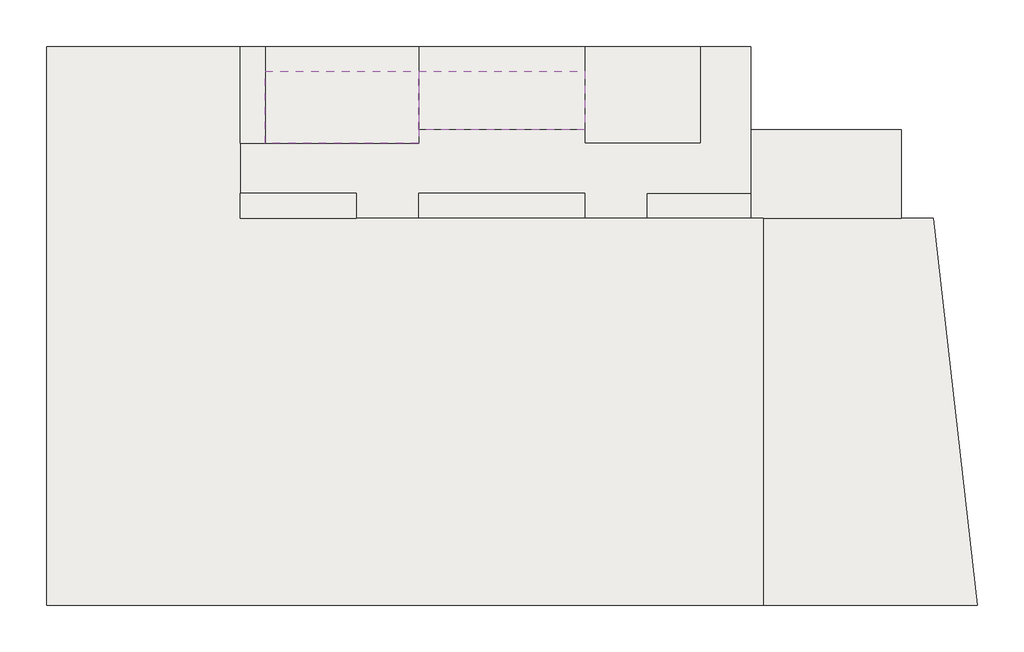
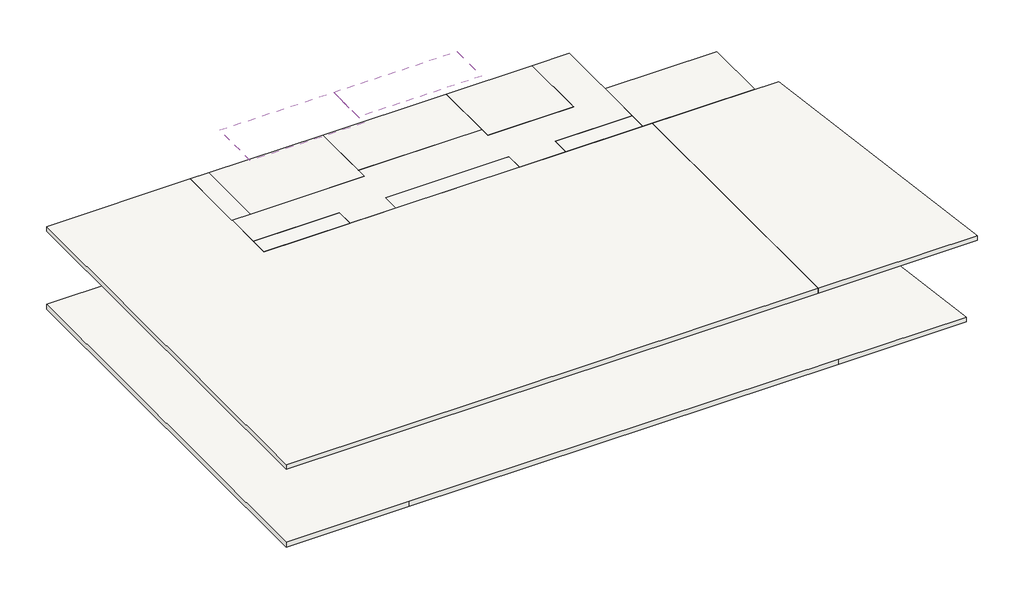
# One storey: 14 roofs.
"""IFC4 building model written with IfcOpenShell, lengths in millimetres."""

from ifc_helpers import new_model, si_unit, frame, origin, place, context, project, spatial, polyline, outline, extrude, element, save

model = new_model("IFC4")

# Units and contexts
model_context = context("Model", 3, world=origin())
ifc_project = project(units=[si_unit("LENGTHUNIT", "METRE", prefix="MILLI")], contexts=[model_context])

# Site, building, storey
site = spatial("IfcSite", under=ifc_project)
building = spatial("IfcBuilding", under=site)
storey = spatial("IfcBuildingStorey", under=building, Elevation=33200.0)

# Roofs
placement = place(None, origin())
element("IfcRoof", 1, ObjectType="250", at=placement, inside=storey, context=model_context, shape_type="SweptSolid", body=[
    extrude(outline(polyline([(-28845.9784025, 16649.6868987), (-21845.9784025, 16649.6868987), (-21845.9784025, 10449.6868987), (-2945.9784025, 10449.6868987), (-2945.9784025, -3550.3131013), (-28845.9784025, -3550.3131013), (-28845.9784025, 16649.6868987)])), frame((0.0, 0.0, 32350.0), z_axis=(0.0, 0.0, 1.0), x_axis=(1.0, 0.0, 0.0)), (0.0, 0.0, 1.0), 250.0),
])
element("IfcRoof", 2, ObjectType="250", at=placement, inside=storey, context=model_context, shape_type="SweptSolid", body=[
    extrude(outline(polyline([(-21845.9784025, 10449.6868987), (-21845.9784025, 11349.6868987), (-17645.9784025, 11349.6868987), (-17645.9784025, 10449.6868987), (-21845.9784025, 10449.6868987)])), frame((0.0, 0.0, 32350.0), z_axis=(0.0, 0.0, 1.0), x_axis=(1.0, 0.0, 0.0)), (0.0, 0.0, 1.0), 250.0),
])
element("IfcRoof", 3, ObjectType="250", at=placement, inside=storey, context=model_context, shape_type="SweptSolid", body=[
    extrude(outline(polyline([(-21845.9784025, 13149.6868987), (-15395.9784025, 13149.6868987), (-15395.9784025, 13649.6868987), (-9395.9784025, 13649.6868987), (-9395.9784025, 13149.6868987), (-5195.9784025, 13149.6868987), (-5195.9784025, 16649.6868987), (-3395.9784025, 16649.6868987), (-3395.9784025, 11349.6868987), (-7145.9784025, 11349.6868987), (-7145.9784025, 10449.6868987), (-9395.9784025, 10449.6868987), (-9395.9784025, 11349.6868987), (-15395.9784025, 11349.6868987), (-15395.9784025, 10449.6868987), (-17645.9784025, 10449.6868987), (-17645.9784025, 11349.6868987), (-21845.9784025, 11349.6868987), (-21845.9784025, 13149.6868987)])), frame((0.0, 0.0, 32350.0), z_axis=(0.0, 0.0, 1.0), x_axis=(1.0, 0.0, 0.0)), (0.0, 0.0, 1.0), 250.0),
])
element("IfcRoof", 4, ObjectType="250", at=placement, inside=storey, context=model_context, shape_type="SweptSolid", body=[
    extrude(outline(polyline([(-15395.9784025, 10449.6868987), (-15395.9784025, 11349.6868987), (-9395.9784025, 11349.6868987), (-9395.9784025, 10449.6868987), (-15395.9784025, 10449.6868987)])), frame((0.0, 0.0, 32350.0), z_axis=(0.0, 0.0, 1.0), x_axis=(1.0, 0.0, 0.0)), (0.0, 0.0, 1.0), 250.0),
])
element("IfcRoof", 5, ObjectType="250", at=placement, inside=storey, context=model_context, shape_type="SweptSolid", body=[
    extrude(outline(polyline([(-7145.9784025, 10449.6868987), (-7145.9784025, 11349.6868987), (-3395.9784025, 11349.6868987), (-3395.9784025, 10449.6868987), (-7145.9784025, 10449.6868987)])), frame((0.0, 0.0, 32350.0), z_axis=(0.0, 0.0, 1.0), x_axis=(1.0, 0.0, 0.0)), (0.0, 0.0, 1.0), 250.0),
])
element("IfcRoof", 6, ObjectType="250", at=placement, inside=storey, context=model_context, shape_type="SweptSolid", body=[
    extrude(outline(polyline([(-9395.9784025, 13149.6868987), (-9395.9784025, 16649.6868987), (-5195.9784025, 16649.6868987), (-5195.9784025, 13149.6868987), (-9395.9784025, 13149.6868987)])), frame((0.0, 0.0, 32350.0), z_axis=(0.0, 0.0, 1.0), x_axis=(1.0, 0.0, 0.0)), (0.0, 0.0, 1.0), 250.0),
])
element("IfcRoof", 7, ObjectType="250", at=placement, inside=storey, context=model_context, shape_type="SweptSolid", body=[
    extrude(outline(polyline([(-3395.9784025, 10449.6868987), (-3395.9784025, 13649.6868987), (2054.0215975, 13649.6868987), (2054.0215975, 10449.6868987), (-3395.9784025, 10449.6868987)])), frame((0.0, 0.0, 32350.0), z_axis=(0.0, 0.0, 1.0), x_axis=(1.0, 0.0, 0.0)), (0.0, 0.0, 1.0), 250.0),
])
element("IfcRoof", 8, ObjectType="250", at=placement, inside=storey, context=model_context, shape_type="SweptSolid", body=[
    extrude(outline(polyline([(-15395.9784025, 13649.6868987), (-15395.9784025, 15749.6868987), (-9395.9784025, 15749.6868987), (-9395.9784025, 13649.6868987), (-15395.9784025, 13649.6868987)])), frame((0.0, 0.0, 35350.0), z_axis=(0.0, 0.0, 1.0), x_axis=(1.0, 0.0, 0.0)), (0.0, 0.0, 1.0), 250.0),
])
element("IfcRoof", 9, ObjectType="250", at=placement, inside=storey, context=model_context, shape_type="SweptSolid", body=[
    extrude(outline(polyline([(-20945.9784025, 13149.6868987), (-20945.9784025, 15749.6868987), (-15395.9784025, 15749.6868987), (-15395.9784025, 13149.6868987), (-20945.9784025, 13149.6868987)])), frame((0.0, 0.0, 35350.0), z_axis=(0.0, 0.0, 1.0), x_axis=(1.0, 0.0, 0.0)), (0.0, 0.0, 1.0), 250.0),
])
element("IfcRoof", 10, ObjectType="250", at=placement, inside=storey, context=model_context, shape_type="SweptSolid", body=[
    extrude(outline(polyline([(-21845.9784025, 13149.6868987), (-21845.9784025, 16649.6868987), (-20945.9784025, 16649.6868987), (-20945.9784025, 13149.6868987), (-21845.9784025, 13149.6868987)])), frame((0.0, 0.0, 32350.0), z_axis=(0.0, 0.0, 1.0), x_axis=(1.0, 0.0, 0.0)), (0.0, 0.0, 1.0), 250.0),
])
element("IfcRoof", 11, ObjectType="250", at=placement, inside=storey, context=model_context, shape_type="SweptSolid", body=[
    extrude(outline(polyline([(-15395.9784025, 13649.6868987), (-15395.9784025, 16649.6868987), (-9395.9784025, 16649.6868987), (-9395.9784025, 13649.6868987), (-15395.9784025, 13649.6868987)])), frame((0.0, 0.0, 32350.0), z_axis=(0.0, 0.0, 1.0), x_axis=(1.0, 0.0, 0.0)), (0.0, 0.0, 1.0), 250.0),
])
element("IfcRoof", 12, ObjectType="250", at=placement, inside=storey, context=model_context, shape_type="SweptSolid", body=[
    extrude(outline(polyline([(-20945.9784025, 13149.6868987), (-20945.9784025, 16649.6868987), (-15395.9784025, 16649.6868987), (-15395.9784025, 13149.6868987), (-20945.9784025, 13149.6868987)])), frame((0.0, 0.0, 32350.0), z_axis=(0.0, 0.0, 1.0), x_axis=(1.0, 0.0, 0.0)), (0.0, 0.0, 1.0), 250.0),
])
element("IfcRoof", 13, ObjectType="250", at=placement, inside=storey, context=model_context, shape_type="SweptSolid", body=[
    extrude(outline(polyline([(-1945.9784025, -3550.3131013), (-22845.9784025, -3550.3131013), (-28845.9784025, -3550.3131013), (-28845.9784025, 16649.6868987), (-21845.9784025, 16649.6868987), (-21845.9784025, 10449.6868987), (2661.9595949, 10449.6868987), (4261.9595949, -3550.3131013), (-1945.9784025, -3550.3131013)])), frame((0.0, 0.0, 28350.0), z_axis=(0.0, 0.0, 1.0), x_axis=(1.0, 0.0, 0.0)), (0.0, 0.0, 1.0), 250.0),
])
element("IfcRoof", 14, ObjectType="250", at=placement, inside=storey, context=model_context, shape_type="SweptSolid", body=[
    extrude(outline(polyline([(4805.7464265, -3550.3131013), (-2945.9784025, -3550.3131013), (-2945.9784025, 10449.6868987), (3205.7464265, 10449.6868987), (4805.7464265, -3550.3131013)])), frame((0.0, 0.0, 32350.0), z_axis=(0.0, 0.0, 1.0), x_axis=(1.0, 0.0, 0.0)), (0.0, 0.0, 1.0), 250.0),
])

save(model, "model.ifc")
